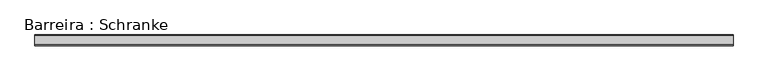
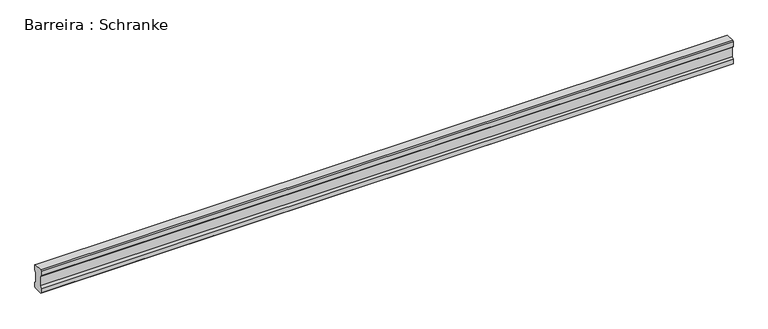
"""IFC4 building model written with IfcOpenShell, lengths in millimetres: geographic element geometry, Barreira : Schranke."""

from ifc_helpers import new_model, si_unit, frame, origin, place, context, project, spatial, polyline, outline, extrude, source, transform, mapped, element, save


def barreira_schranke_4b2d782a(model_context):
    return source(origin(), model_context, "Body", "SweptSolid", [
        extrude(outline(polyline([(20.0, 961.6401244), (20.0, 906.1852248), (30.0, 896.1852248), (30.0, 869.5487906), (25.2513483, 866.1852248), (-25.0, 866.1852248), (-30.0, 871.1852248), (-30.0, 896.1852248), (-20.0, 906.1852248), (-20.0, 961.8564881), (-30.0, 971.6401244), (-30.0, 1001.1294265), (-25.0, 1006.1294265), (25.0, 1006.1294265), (30.0, 1001.1294265), (30.0, 971.6401244), (20.0, 961.6401244)])), frame((375.1202215, 0.0, 0.0), z_axis=(1.0, 0.0, 0.0), x_axis=(0.0, 1.0, 0.0)), (0.0, 0.0, 1.0), 3909.8797785),
    ])


if __name__ == "__main__":
    model = new_model("IFC4")
    model_context = context("Model", 3, world=origin())
    ifc_project = project(units=[si_unit("LENGTHUNIT", "METRE", prefix="MILLI")], contexts=[model_context])
    site = spatial("IfcSite", under=ifc_project)
    building = spatial("IfcBuilding", under=site)
    placement = place(None, origin())
    barreira_schranke_shape = barreira_schranke_4b2d782a(model_context)
    element("IfcGeographicElement", 1, ObjectType="Barreira : Schranke", at=placement, inside=building, context=model_context, shape_type="MappedRepresentation", body=[
        mapped(barreira_schranke_shape, transform((0.0, 0.0, 0.0), x_axis=(1.0, 0.0, 0.0), y_axis=(0.0, 1.0, 0.0), z_axis=(0.0, 0.0, 1.0))),
    ])
    save(model, "model.ifc")
